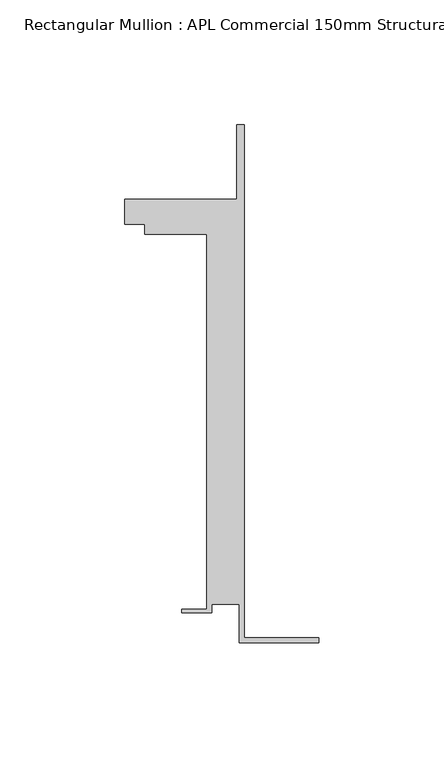
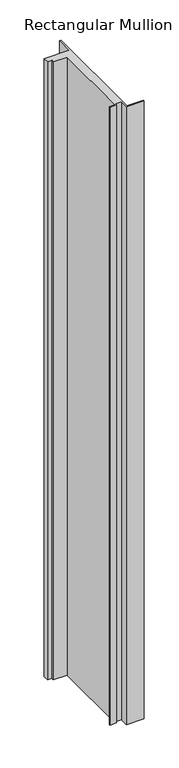
"""IFC4 building model written with IfcOpenShell, lengths in millimetres: member geometry, Rectangular Mullion : APL Commercial 150mm Structural Glaze SubSill."""

from ifc_helpers import new_model, si_unit, frame, origin, place, context, project, spatial, polyline, outline, extrude, source, transform, mapped, element, save


def rectangular_mullion_apl_commercial_150mm_structural_glaze_7d2b63c8(model_context):
    return source(origin(), model_context, "Body", "SweptSolid", [
        extrude(outline(polyline([(-32.0, -41.25), (-32.0, -25.75), (-43.0, -25.75), (-43.0, -29.25), (-55.0, -29.25), (-55.0, -27.75), (-45.0, -27.75), (-45.0, 122.75), (-70.0000284, 122.75), (-70.0000284, 126.75), (-78.0000284, 126.75), (-78.0000284, 136.75), (-33.0000284, 136.75), (-33.0000284, 166.75), (-30.0, 166.75), (-30.0, -39.25), (0.0, -39.25), (0.0, -41.25), (-32.0, -41.25)])), frame((0.0, 0.0, -1183.1911244), z_axis=(0.0, 0.0, 1.0), x_axis=(1.0, 0.0, 0.0)), (0.0, 0.0, 1.0), 1183.1911244),
    ])


if __name__ == "__main__":
    model = new_model("IFC4")
    model_context = context("Model", 3, world=origin())
    ifc_project = project(units=[si_unit("LENGTHUNIT", "METRE", prefix="MILLI")], contexts=[model_context])
    site = spatial("IfcSite", under=ifc_project)
    building = spatial("IfcBuilding", under=site)
    placement = place(None, origin())
    rectangular_mullion_apl_commercial_150mm_structural_glaze_shape = rectangular_mullion_apl_commercial_150mm_structural_glaze_7d2b63c8(model_context)
    element("IfcMember", 1, ObjectType="Rectangular Mullion : APL Commercial 150mm Structural Glaze SubSill", at=placement, inside=building, context=model_context, shape_type="MappedRepresentation", body=[
        mapped(rectangular_mullion_apl_commercial_150mm_structural_glaze_shape, transform((0.0, 0.0, 0.0), x_axis=(1.0, 0.0, 0.0), y_axis=(0.0, 1.0, 0.0), z_axis=(0.0, 0.0, 1.0))),
    ])
    save(model, "model.ifc")
